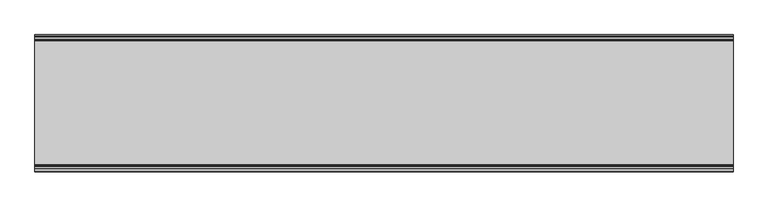
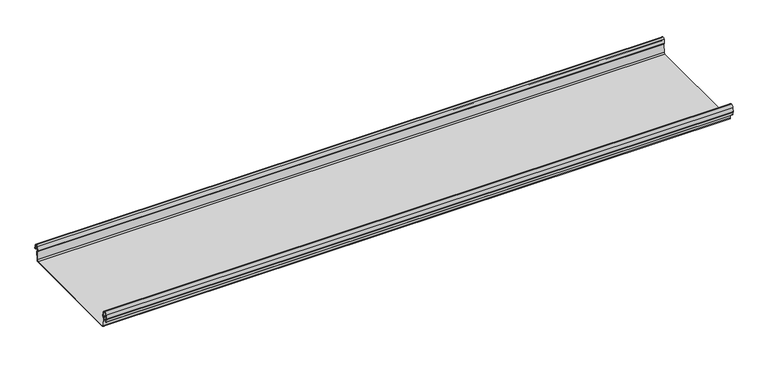
"""IFC4 building model written with IfcOpenShell, lengths in millimetres: beam geometry."""

from ifc_helpers import new_model, si_unit, frame, origin, place, context, project, spatial, polyline, circle_curve, source, transform, mapped, element, save
from ifc_brep_helpers import plane_surface, cylinder_surface, revolved_surface, advanced_brep


def beam_398a2f12(model_context):
    return source(origin(), model_context, "Body", "AdvancedBrep", [
        advanced_brep(
        [(900.0, 174.5298471, 17.4730576), (900.0, 169.9958217, 21.2486363), (900.0, 165.4890072, 17.6093124), (900.0, 163.0420077, 6.2503755), (900.0, 164.7006671, 3.7959761), (900.0, 165.8698319, 2.0849359), (900.0, 164.3793103, -21.3247551), (900.0, 160.6848586, -24.7896475), (900.0, -159.5640942, -24.7896475), (900.0, -163.2568715, -21.3207217), (900.0, -164.7263748, 2.1632779), (900.0, -164.0984471, 3.0966958), (900.0, -161.8868093, 6.1624874), (900.0, -162.770348, 17.3389905), (900.0, -170.0, 24.0196704), (900.0, -177.229652, 17.3389905), (900.0, -178.1131907, 6.1624874), (900.0, -175.9015529, 3.0966958), (900.0, -175.2736252, 2.1632779), (900.0, -175.6653397, -4.0966758), (900.0, -174.6633838, -4.0966758), (900.0, -174.255975, 2.4140875), (900.0, -175.661391, 4.0675496), (900.0, -177.1158116, 6.08368), (900.0, -176.2261211, 17.3379999), (900.0, -170.0, 23.0196704), (900.0, -163.767144, 17.2589936), (900.0, -162.8795452, 6.0037927), (900.0, -164.338609, 4.0675496), (900.0, -165.744025, 2.4140875), (900.0, -164.2549195, -21.3831743), (900.0, -159.5640942, -25.7896475), (900.0, 160.6846135, -25.7896475), (900.0, 165.3772895, -21.3882975), (900.0, 166.868024, 2.0247376), (900.0, 164.9644432, 4.7613501), (900.0, 164.0277999, 6.0779003), (900.0, 166.4434849, 17.2822335), (900.0, 170.0063307, 20.2496221), (900.0, 173.4803249, 17.6539317), (900.0, 175.5075757, 6.5459412), (900.0, 176.5074356, 6.7299959), (-900.0, 174.5298471, 17.4730576), (-900.0, 176.5074356, 6.7299959), (-900.0, 175.5075757, 6.5459412), (-900.0, 173.4803249, 17.6539317), (-900.0, 170.0063307, 20.2496221), (-900.0, 166.4434849, 17.2822335), (-900.0, 164.0277999, 6.0779003), (-900.0, 164.9644432, 4.7613501), (-900.0, 166.868024, 2.0247376), (-900.0, 165.3772895, -21.3882975), (-900.0, 160.6846135, -25.7896475), (-900.0, -159.5640942, -25.7896475), (-900.0, -164.2549195, -21.3831743), (-900.0, -165.744025, 2.4140875), (-900.0, -164.338609, 4.0675496), (-900.0, -162.8795452, 6.0037927), (-900.0, -163.767144, 17.2589936), (-900.0, -170.0, 23.0196704), (-900.0, -176.2261211, 17.3379999), (-900.0, -177.1158116, 6.08368), (-900.0, -175.661391, 4.0675496), (-900.0, -174.255975, 2.4140875), (-900.0, -174.6633838, -4.0966758), (-900.0, -175.6653397, -4.0966758), (-900.0, -175.2736252, 2.1632779), (-900.0, -175.9015529, 3.0966958), (-900.0, -178.1066021, 6.2458324), (-900.0, -177.229652, 17.3389905), (-900.0, -170.0, 24.0196704), (-900.0, -162.770348, 17.3389905), (-900.0, -161.8868093, 6.1624874), (-900.0, -164.0984471, 3.0966958), (-900.0, -164.7263748, 2.1632779), (-900.0, -163.2568715, -21.3207217), (-900.0, -159.5640942, -24.7896475), (-900.0, 160.6848586, -24.7896475), (-900.0, 164.3793103, -21.3247551), (-900.0, 165.8698319, 2.0849359), (-900.0, 164.7006671, 3.7959761), (-900.0, 163.0420077, 6.2503755), (-900.0, 165.4890072, 17.6093124), (-900.0, 169.9958217, 21.2486363)],
        [
            (0, 1, circle_curve(frame((900.0, 169.9958217, 16.6384317), z_axis=(1.0, 0.0, 0.0), x_axis=(0.0, 1.0, 0.0)), 4.6102046)),
            (1, 2, circle_curve(frame((900.0, 169.9958217, 16.6384317), z_axis=(1.0, 0.0, 0.0), x_axis=(0.0, 0.2105938444020083, 0.9775736456656259)), 4.6102046)),
            (2, 3),
            (3, 4, circle_curve(frame((900.0, 165.4262002, 6.073937), z_axis=(1.0, 0.0, 0.0), x_axis=(0.0, -0.9528378408797884, 0.30347989881958104)), 2.3907121)),
            (4, 5, circle_curve(frame((900.0, 164.1897695, 2.1919074), z_axis=(-1.0, 0.0, 0.0), x_axis=(0.0, 0.06354246328302078, 0.9979791357337717)), 1.6834645)),
            (5, 6),
            (6, 7, circle_curve(frame((900.0, 160.6867875, -21.089648), z_axis=(-1.0, 0.0, 0.0), x_axis=(0.0, 0.9999998641088232, -0.0005213274739325337)), 3.7)),
            (7, 8),
            (8, 9, circle_curve(frame((900.0, -159.5640942, -21.0896475), z_axis=(-1.0, 0.0, 0.0), x_axis=(0.0, 0.062452508687223206, -0.9980479368039755)), 3.7)),
            (9, 10),
            (10, 11, circle_curve(frame((900.0, -163.8044049, 2.2209698), z_axis=(-1.0, 0.0, 0.0), x_axis=(0.0, -0.9479881328261025, -0.31830567073314897)), 0.9237732)),
            (11, 12, circle_curve(frame((900.0, -164.7984694, 5.9323112), z_axis=(1.0, 0.0, 0.0), x_axis=(0.0, 0.07880737243916666, -0.9968898625471294)), 2.9207441)),
            (12, 13),
            (13, 14, circle_curve(frame((900.0, -170.0, 16.7674631), z_axis=(1.0, 0.0, 0.0), x_axis=(0.0, 1.0, 0.0)), 7.2522073)),
            (14, 15, circle_curve(frame((900.0, -170.0, 16.7674631), z_axis=(1.0, 0.0, 0.0), x_axis=(0.0, 0.07880737243912425, 0.9968898625471327)), 7.2522073)),
            (15, 16),
            (16, 17, circle_curve(frame((900.0, -175.2001089, 5.9344165), z_axis=(1.0, 0.0, 0.0), x_axis=(0.0, -0.9707819351134729, 0.2399634023290655)), 2.9231288)),
            (17, 18, circle_curve(frame((900.0, -176.1025472, 2.2835649), z_axis=(-1.0, 0.0, 0.0), x_axis=(0.0, 0.14360843272178178, 0.9896345881441257)), 0.8376041)),
            (18, 19),
            (19, 20, circle_curve(frame((900.0, -175.1643617, -4.0966758), z_axis=(1.0, 0.0, 0.0), x_axis=(0.0, 0.0, -1.0)), 0.5009779)),
            (20, 21),
            (21, 22, circle_curve(frame((900.0, -176.1062911, 2.2653702), z_axis=(1.0, 0.0, 0.0), x_axis=(0.0, 0.9708537722163966, -0.23967259537375799)), 1.856283)),
            (22, 23, circle_curve(frame((900.0, -175.2010412, 5.9323112), z_axis=(-1.0, 0.0, 0.0), x_axis=(0.0, -0.07880737243914376, -0.9968898625471312)), 1.9207441)),
            (23, 24),
            (24, 25, circle_curve(frame((900.0, -170.0770494, 16.8518958), z_axis=(-1.0, 0.0, 0.0), x_axis=(0.0, -0.9999219808421378, 0.012491286112139365)), 6.1682558)),
            (25, 26, circle_curve(frame((900.0, -170.0791743, 16.6817991), z_axis=(-1.0, 0.0, 0.0), x_axis=(0.0, -0.09106361391821856, 0.9958450774192508)), 6.3383658)),
            (26, 27),
            (27, 28, circle_curve(frame((900.0, -164.70299, 5.8599936), z_axis=(-1.0, 0.0, 0.0), x_axis=(0.0, 0.9799562955839813, 0.19921259685401593)), 1.8291061)),
            (28, 29, circle_curve(frame((900.0, -163.9886548, 2.3460727), z_axis=(1.0, 0.0, 0.0), x_axis=(0.0, 0.03871763325448635, 0.9992501913310655)), 1.7566874)),
            (29, 30),
            (30, 31, circle_curve(frame((900.0, -159.5640942, -21.0896475), z_axis=(1.0, 0.0, 0.0), x_axis=(0.0, -1.0, 0.0)), 4.7)),
            (31, 32),
            (32, 33, circle_curve(frame((900.0, 160.6846135, -21.0873301), z_axis=(1.0, 0.0, 0.0), x_axis=(0.0, -0.06400407594283139, -0.997949637137418)), 4.7023174)),
            (33, 34),
            (34, 35, circle_curve(frame((900.0, 164.1939121, 2.1950013), z_axis=(1.0, 0.0, 0.0), x_axis=(0.0, 0.9577619201002135, -0.2875623487279797)), 2.6795268)),
            (35, 36, circle_curve(frame((900.0, 165.0972859, 5.8473161), z_axis=(-1.0, 0.0, 0.0), x_axis=(0.0, -0.210759855052358, -0.9775378680635902)), 1.094061)),
            (36, 37),
            (37, 38, circle_curve(frame((900.0, 170.0063307, 16.627032), z_axis=(-1.0, 0.0, 0.0), x_axis=(0.0, -1.0, 0.0)), 3.6225901)),
            (38, 39, circle_curve(frame((900.0, 170.0063307, 16.627032), z_axis=(-1.0, 0.0, 0.0), x_axis=(0.0, -0.2834711363957483, 0.9589807687490417)), 3.6225901)),
            (39, 40),
            (40, 41, circle_curve(frame((900.0, 176.0075057, 6.6379685), z_axis=(1.0, 0.0, 0.0), x_axis=(0.0, 0.18103878268247353, -0.9834759575937014)), 0.5083296)),
            (41, 0),
            (42, 43),
            (43, 44, circle_curve(frame((-900.0, 176.0075057, 6.6379685), z_axis=(-1.0, 0.0, 0.0), x_axis=(0.0, 0.18103878268247353, -0.9834759575937014)), 0.5083296)),
            (44, 45),
            (45, 46, circle_curve(frame((-900.0, 170.0063307, 16.627032), z_axis=(1.0, 0.0, 0.0), x_axis=(0.0, -0.2834711363957483, 0.9589807687490417)), 3.6225901)),
            (46, 47, circle_curve(frame((-900.0, 170.0063307, 16.627032), z_axis=(1.0, 0.0, 0.0), x_axis=(0.0, -1.0, 0.0)), 3.6225901)),
            (47, 48),
            (48, 49, circle_curve(frame((-900.0, 165.0972859, 5.8473161), z_axis=(1.0, 0.0, 0.0), x_axis=(0.0, -0.210759855052358, -0.9775378680635902)), 1.094061)),
            (49, 50, circle_curve(frame((-900.0, 164.1939121, 2.1950013), z_axis=(-1.0, 0.0, 0.0), x_axis=(0.0, 0.9577619201002135, -0.2875623487279797)), 2.6795268)),
            (50, 51),
            (51, 52, circle_curve(frame((-900.0, 160.6846135, -21.0873301), z_axis=(-1.0, 0.0, 0.0), x_axis=(0.0, -0.06400407594283139, -0.997949637137418)), 4.7023174)),
            (52, 53),
            (53, 54, circle_curve(frame((-900.0, -159.5640942, -21.0896475), z_axis=(-1.0, 0.0, 0.0), x_axis=(0.0, -1.0, 0.0)), 4.7)),
            (54, 55),
            (55, 56, circle_curve(frame((-900.0, -163.9886548, 2.3460727), z_axis=(-1.0, 0.0, 0.0), x_axis=(0.0, 0.03871763325448635, 0.9992501913310655)), 1.7566874)),
            (56, 57, circle_curve(frame((-900.0, -164.70299, 5.8599936), z_axis=(1.0, 0.0, 0.0), x_axis=(0.0, 0.9799562955839813, 0.19921259685401593)), 1.8291061)),
            (57, 58),
            (58, 59, circle_curve(frame((-900.0, -170.0791743, 16.6817991), z_axis=(1.0, 0.0, 0.0), x_axis=(0.0, -0.09106361391821856, 0.9958450774192508)), 6.3383658)),
            (59, 60, circle_curve(frame((-900.0, -170.0770494, 16.8518958), z_axis=(1.0, 0.0, 0.0), x_axis=(0.0, -0.9999219808421378, 0.012491286112139365)), 6.1682558)),
            (60, 61),
            (61, 62, circle_curve(frame((-900.0, -175.2010412, 5.9323112), z_axis=(1.0, 0.0, 0.0), x_axis=(0.0, -0.07880737243914376, -0.9968898625471312)), 1.9207441)),
            (62, 63, circle_curve(frame((-900.0, -176.1062911, 2.2653702), z_axis=(-1.0, 0.0, 0.0), x_axis=(0.0, 0.9708537722163966, -0.23967259537375799)), 1.856283)),
            (63, 64),
            (64, 65, circle_curve(frame((-900.0, -175.1643617, -4.0966758), z_axis=(-1.0, 0.0, 0.0), x_axis=(0.0, 0.0, -1.0)), 0.5009779)),
            (65, 66),
            (66, 67, circle_curve(frame((-900.0, -176.1025472, 2.2835649), z_axis=(1.0, 0.0, 0.0), x_axis=(0.0, 0.14360843272178178, 0.9896345881441257)), 0.8376041)),
            (67, 68, circle_curve(frame((-900.0, -175.2001089, 5.9344165), z_axis=(-1.0, 0.0, 0.0), x_axis=(0.0, -0.9707819351134729, 0.2399634023290655)), 2.9231288)),
            (68, 69),
            (69, 70, circle_curve(frame((-900.0, -170.0, 16.7674631), z_axis=(-1.0, 0.0, 0.0), x_axis=(0.0, 0.07880737243912425, 0.9968898625471327)), 7.2522073)),
            (70, 71, circle_curve(frame((-900.0, -170.0, 16.7674631), z_axis=(-1.0, 0.0, 0.0), x_axis=(0.0, 1.0, 0.0)), 7.2522073)),
            (71, 72),
            (72, 73, circle_curve(frame((-900.0, -164.7984694, 5.9323112), z_axis=(-1.0, 0.0, 0.0), x_axis=(0.0, 0.07880737243916666, -0.9968898625471294)), 2.9207441)),
            (73, 74, circle_curve(frame((-900.0, -163.8044049, 2.2209698), z_axis=(1.0, 0.0, 0.0), x_axis=(0.0, -0.9479881328261025, -0.31830567073314897)), 0.9237732)),
            (74, 75),
            (75, 76, circle_curve(frame((-900.0, -159.5640942, -21.0896475), z_axis=(1.0, 0.0, 0.0), x_axis=(0.0, 0.062452508687223206, -0.9980479368039755)), 3.7)),
            (76, 77),
            (77, 78, circle_curve(frame((-900.0, 160.6867875, -21.089648), z_axis=(1.0, 0.0, 0.0), x_axis=(0.0, 0.9999998641088232, -0.0005213274739325337)), 3.7)),
            (78, 79),
            (79, 80, circle_curve(frame((-900.0, 164.1897695, 2.1919074), z_axis=(1.0, 0.0, 0.0), x_axis=(0.0, 0.06354246328302078, 0.9979791357337717)), 1.6834645)),
            (80, 81, circle_curve(frame((-900.0, 165.4262002, 6.073937), z_axis=(-1.0, 0.0, 0.0), x_axis=(0.0, -0.9528378408797884, 0.30347989881958104)), 2.3907121)),
            (81, 82),
            (82, 83, circle_curve(frame((-900.0, 169.9958217, 16.6384317), z_axis=(-1.0, 0.0, 0.0), x_axis=(0.0, 0.2105938444020083, 0.9775736456656259)), 4.6102046)),
            (83, 42, circle_curve(frame((-900.0, 169.9958217, 16.6384317), z_axis=(-1.0, 0.0, 0.0), x_axis=(0.0, 1.0, 0.0)), 4.6102046)),
            (42, 0),
            (41, 43),
            (40, 44),
            (39, 45),
            (38, 46),
            (37, 47),
            (36, 48),
            (35, 49),
            (34, 50),
            (33, 51),
            (32, 52),
            (31, 53),
            (30, 54),
            (29, 55),
            (28, 56),
            (27, 57),
            (26, 58),
            (25, 59),
            (24, 60),
            (23, 61),
            (22, 62),
            (21, 63),
            (20, 64),
            (19, 65),
            (18, 66),
            (17, 67),
            (16, 68),
            (15, 69),
            (14, 70),
            (13, 71),
            (12, 72),
            (11, 73),
            (10, 74),
            (9, 75),
            (8, 76),
            (7, 77),
            (6, 78),
            (5, 79),
            (4, 80),
            (3, 81),
            (2, 82),
            (1, 83),
        ],
        [
            plane_surface(frame((900.0, 176.5074356, 6.7299959), z_axis=(1.0000000000000002, 0.0, 0.0), x_axis=(0.0, -0.18103878268248824, 0.9834759575936989))),
            plane_surface(frame((-900.0, 176.5074356, 6.7299959), z_axis=(-1.0000000000000002, 0.0, 0.0), x_axis=(0.0, 0.18103878268248824, -0.9834759575936989))),
            plane_surface(frame((900.0, 175.5186413, 12.1015267), z_axis=(0.0, 0.9834759575937931, 0.18103878268197598), x_axis=(0.0, 0.18103878268197598, -0.9834759575937931))),
            cylinder_surface(frame((900.0, 176.0075057, 6.6379685), z_axis=(-1.0, 0.0, 0.0), x_axis=(0.0, 0.18103878268247353, -0.9834759575937014)), 0.5083296),
            plane_surface(frame((900.0, 174.4939503, 12.0999365), z_axis=(0.0, -0.9837509798366516, -0.17953832368168063), x_axis=(0.0, -0.17953832368168063, 0.9837509798366516))),
            revolved_surface(polyline([(-900.0, 168.979430967657, 20.101026238960667), (900.0, 168.979430967657, 20.101026238960667)]), (900.0, 170.0063307, 16.627032), (-1.0, 0.0, 0.0)),
            revolved_surface(polyline([(-900.0, 166.3837406, 16.627032), (900.0, 166.3837406, 16.627032)]), (900.0, 170.0063307, 16.627032), (-1.0, 0.0, 0.0)),
            plane_surface(frame((900.0, 165.2356424, 11.6800669), z_axis=(0.0, 0.9775378680634891, -0.2107598550528272), x_axis=(0.0, -0.2107598550528272, -0.9775378680634891))),
            revolved_surface(polyline([(-900.0, 164.86670176222157, 4.77783004252848), (900.0, 164.86670176222157, 4.77783004252848)]), (900.0, 165.0972859, 5.8473161), (-1.0, 0.0, 0.0)),
            cylinder_surface(frame((900.0, 164.1939121, 2.1950013), z_axis=(-1.0, 0.0, 0.0), x_axis=(0.0, 0.9577619201002135, -0.2875623487279797)), 2.6795268),
            plane_surface(frame((900.0, 166.1226567, -9.68178), z_axis=(0.0, 0.9979791357337514, -0.06354246328334037), x_axis=(0.0, -0.06354246328334037, -0.9979791357337514))),
            cylinder_surface(frame((900.0, 160.6846135, -21.0873301), z_axis=(-1.0, 0.0, 0.0), x_axis=(0.0, -0.06400407594283139, -0.997949637137418)), 4.7023174),
            plane_surface(frame((900.0, 0.5602597, -25.7896475), z_axis=(0.0, 0.0, -1.0), x_axis=(0.0, -1.0, 0.0))),
            cylinder_surface(frame((900.0, -159.5640942, -21.0896475), z_axis=(-1.0, 0.0, 0.0), x_axis=(0.0, -1.0, 0.0)), 4.7),
            plane_surface(frame((900.0, -164.9994722, -9.4845434), z_axis=(0.0, -0.99804793680396, -0.06245250868747398), x_axis=(0.0, -0.06245250868747398, 0.99804793680396))),
            cylinder_surface(frame((900.0, -163.9886548, 2.3460727), z_axis=(-1.0, 0.0, 0.0), x_axis=(0.0, 0.03871763325448635, 0.9992501913310655)), 1.7566874),
            revolved_surface(polyline([(-900.0, -162.91054596201394, 6.224374576102521), (900.0, -162.91054596201394, 6.224374576102521)]), (900.0, -164.70299, 5.8599936), (-1.0, 0.0, 0.0)),
            plane_surface(frame((900.0, -163.3233446, 11.6313931), z_axis=(0.0, -0.9969048840807634, -0.07861712342689589), x_axis=(0.0, -0.07861712342689589, 0.9969048840807634))),
            revolved_surface(polyline([(-900.0, -170.65636879608365, 22.99382948081253), (900.0, -170.65636879608365, 22.99382948081253)]), (900.0, -170.0791743, 16.6817991), (-1.0, 0.0, 0.0)),
            revolved_surface(polyline([(-900.0, -176.244823957877, 16.928945248010663), (900.0, -176.244823957877, 16.928945248010663)]), (900.0, -170.0770494, 16.8518958), (-1.0, 0.0, 0.0)),
            plane_surface(frame((900.0, -176.6709664, 11.71084), z_axis=(0.0, 0.9968898625470921, -0.07880737243963815), x_axis=(0.0, -0.07880737243963815, -0.9968898625470921))),
            revolved_surface(polyline([(-900.0, -175.35240999564897, 4.017540878162787), (900.0, -175.35240999564897, 4.017540878162787)]), (900.0, -175.2010412, 5.9323112), (-1.0, 0.0, 0.0)),
            cylinder_surface(frame((900.0, -176.1062911, 2.2653702), z_axis=(-1.0, 0.0, 0.0), x_axis=(0.0, 0.9708537722163966, -0.23967259537375799)), 1.856283),
            plane_surface(frame((900.0, -174.4596794, -0.8412941), z_axis=(0.0, 0.9980479368039222, -0.06245250868807452), x_axis=(0.0, -0.06245250868807452, -0.9980479368039222))),
            cylinder_surface(frame((900.0, -175.1643617, -4.0966758), z_axis=(-1.0, 0.0, 0.0), x_axis=(0.0, 0.0, -1.0)), 0.5009779),
            plane_surface(frame((900.0, -175.4694824, -0.9666989), z_axis=(0.0, -0.9980479368040358, 0.06245250868626084), x_axis=(0.0, 0.06245250868626084, 0.9980479368040358))),
            revolved_surface(polyline([(-900.0, -175.98226018795768, 3.112486888531331), (900.0, -175.98226018795768, 3.112486888531331)]), (900.0, -176.1025472, 2.2835649), (-1.0, 0.0, 0.0)),
            cylinder_surface(frame((900.0, -175.2001089, 5.9344165), z_axis=(-1.0, 0.0, 0.0), x_axis=(0.0, -0.9707819351134729, 0.2399634023290655)), 2.9231288),
            plane_surface(frame((900.0, -177.6714214, 11.7507389), z_axis=(0.0, -0.9968898625471735, 0.07880737243860966), x_axis=(0.0, 0.07880737243860966, 0.9968898625471735))),
            cylinder_surface(frame((900.0, -170.0, 16.7674631), z_axis=(-1.0, 0.0, 0.0), x_axis=(0.0, 0.07880737243912425, 0.9968898625471327)), 7.2522073),
            cylinder_surface(frame((900.0, -170.0, 16.7674631), z_axis=(-1.0, 0.0, 0.0), x_axis=(0.0, 1.0, 0.0)), 7.2522073),
            plane_surface(frame((900.0, -162.3285786, 11.7507389), z_axis=(0.0, 0.9968898625471712, 0.07880737243863836), x_axis=(0.0, 0.07880737243863836, -0.9968898625471712))),
            cylinder_surface(frame((900.0, -164.7984694, 5.9323112), z_axis=(-1.0, 0.0, 0.0), x_axis=(0.0, 0.07880737243916666, -0.9968898625471294)), 2.9207441),
            revolved_surface(polyline([(-900.0, -164.6801309310228, 1.9269275519686928), (900.0, -164.6801309310228, 1.9269275519686928)]), (900.0, -163.8044049, 2.2209698), (-1.0, 0.0, 0.0)),
            plane_surface(frame((900.0, -163.9916232, -9.5787219), z_axis=(0.0, 0.9980479368039906, 0.0624525086869835), x_axis=(0.0, 0.0624525086869835, -0.9980479368039906))),
            revolved_surface(polyline([(-900.0, -159.33301991785729, -24.78242486617471), (900.0, -159.33301991785729, -24.78242486617471)]), (900.0, -159.5640942, -21.0896475), (-1.0, 0.0, 0.0)),
            plane_surface(frame((900.0, 0.5603822, -24.7896475), z_axis=(0.0, 0.0, 1.0), x_axis=(0.0, 1.0, 0.0))),
            revolved_surface(polyline([(-900.0, 164.38678699720265, -21.09157691165355), (900.0, 164.38678699720265, -21.09157691165355)]), (900.0, 160.6867875, -21.089648), (-1.0, 0.0, 0.0)),
            plane_surface(frame((900.0, 165.1245711, -9.6199096), z_axis=(0.0, -0.9979791357337828, 0.06354246328284598), x_axis=(0.0, 0.06354246328284598, 0.9979791357337828))),
            revolved_surface(polyline([(-900.0, 164.29674098117954, 3.871969846748486), (900.0, 164.29674098117954, 3.871969846748486)]), (900.0, 164.1897695, 2.1919074), (-1.0, 0.0, 0.0)),
            cylinder_surface(frame((900.0, 165.4262002, 6.073937), z_axis=(-1.0, 0.0, 0.0), x_axis=(0.0, -0.9528378408797884, 0.30347989881958104)), 2.3907121),
            plane_surface(frame((900.0, 164.2655075, 11.929844), z_axis=(0.0, -0.9775736456657296, 0.21059384440152715), x_axis=(0.0, 0.21059384440152715, 0.9775736456657296))),
            cylinder_surface(frame((900.0, 169.9958217, 16.6384317), z_axis=(-1.0, 0.0, 0.0), x_axis=(0.0, 0.2105938444020083, 0.9775736456656259)), 4.6102046),
            cylinder_surface(frame((900.0, 169.9958217, 16.6384317), z_axis=(-1.0, 0.0, 0.0), x_axis=(0.0, 1.0, 0.0)), 4.6102046),
        ],
        [
            (0, [[1, 2, 3, 4, 5, 6, 7, 8, 9, 10, 11, 12, 13, 14, 15, 16, 17, 18, 19, 20, 21, 22, 23, 24, 25, 26, 27, 28, 29, 30, 31, 32, 33, 34, 35, 36, 37, 38, 39, 40, 41, 42]]),
            (1, [[43, 44, 45, 46, 47, 48, 49, 50, 51, 52, 53, 54, 55, 56, 57, 58, 59, 60, 61, 62, 63, 64, 65, 66, 67, 68, 69, 70, 71, 72, 73, 74, 75, 76, 77, 78, 79, 80, 81, 82, 83, 84]]),
            (2, [[-43, 85, -42, 86]]),
            (3, [[-44, -86, -41, 87]]),
            (4, [[-45, -87, -40, 88]]),
            (5, [[-46, -88, -39, 89]]),
            (6, [[-47, -89, -38, 90]]),
            (7, [[-48, -90, -37, 91]]),
            (8, [[-49, -91, -36, 92]]),
            (9, [[-50, -92, -35, 93]]),
            (10, [[-51, -93, -34, 94]]),
            (11, [[-52, -94, -33, 95]]),
            (12, [[-53, -95, -32, 96]]),
            (13, [[-54, -96, -31, 97]]),
            (14, [[-55, -97, -30, 98]]),
            (15, [[-56, -98, -29, 99]]),
            (16, [[-57, -99, -28, 100]]),
            (17, [[-58, -100, -27, 101]]),
            (18, [[-59, -101, -26, 102]]),
            (19, [[-60, -102, -25, 103]]),
            (20, [[-61, -103, -24, 104]]),
            (21, [[-62, -104, -23, 105]]),
            (22, [[-63, -105, -22, 106]]),
            (23, [[-64, -106, -21, 107]]),
            (24, [[-65, -107, -20, 108]]),
            (25, [[-66, -108, -19, 109]]),
            (26, [[-67, -109, -18, 110]]),
            (27, [[-68, -110, -17, 111]]),
            (28, [[-69, -111, -16, 112]]),
            (29, [[-70, -112, -15, 113]]),
            (30, [[-71, -113, -14, 114]]),
            (31, [[-72, -114, -13, 115]]),
            (32, [[-73, -115, -12, 116]]),
            (33, [[-74, -116, -11, 117]]),
            (34, [[-75, -117, -10, 118]]),
            (35, [[-76, -118, -9, 119]]),
            (36, [[-77, -119, -8, 120]]),
            (37, [[-78, -120, -7, 121]]),
            (38, [[-79, -121, -6, 122]]),
            (39, [[-80, -122, -5, 123]]),
            (40, [[-81, -123, -4, 124]]),
            (41, [[-82, -124, -3, 125]]),
            (42, [[-83, -125, -2, 126]]),
            (43, [[-84, -126, -1, -85]]),
        ],
    ),
    ])


if __name__ == "__main__":
    model = new_model("IFC4")
    model_context = context("Model", 3, world=origin())
    ifc_project = project(units=[si_unit("LENGTHUNIT", "METRE", prefix="MILLI")], contexts=[model_context])
    site = spatial("IfcSite", under=ifc_project)
    building = spatial("IfcBuilding", under=site)
    placement = place(None, origin())
    beam_shape = beam_398a2f12(model_context)
    element("IfcBeam", 1, at=placement, inside=building, context=model_context, shape_type="MappedRepresentation", body=[
        mapped(beam_shape, transform((0.0, 0.0, 0.0), x_axis=(1.0, 0.0, 0.0), y_axis=(0.0, 1.0, 0.0), z_axis=(0.0, 0.0, 1.0))),
    ])
    save(model, "model.ifc")
